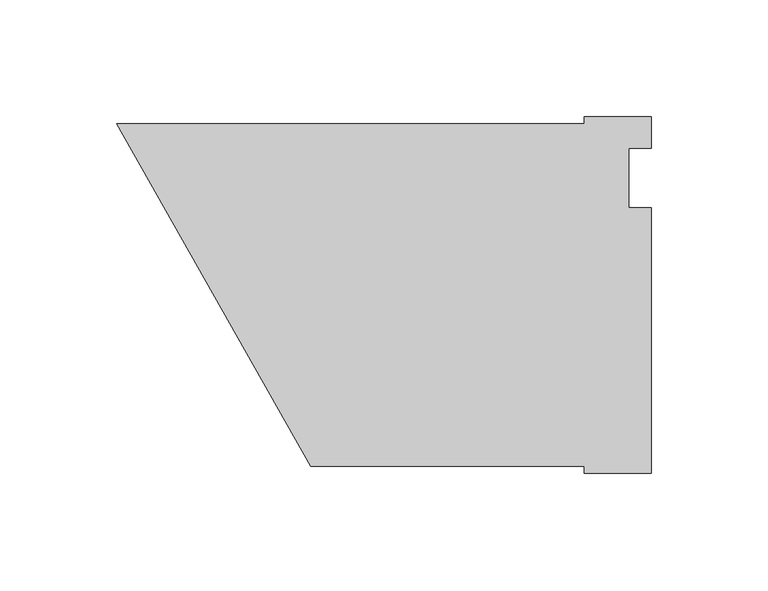
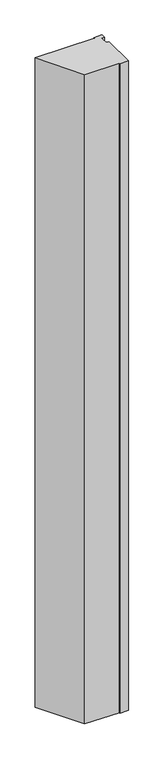
"""IFC4 building model written with IfcOpenShell, lengths in millimetres: proxy geometry."""

import ifcopenshell
import ifcopenshell.guid

model = None  # the IFC model being written
_history = None  # IfcOwnerHistory: only IFC2X3 demands one
_inside = {}  # id of a spatial element -> (the spatial element, [elements in it])
_under = {}  # id of a project, library or spatial element -> (it, [spatial elements below it])
_declared = {}  # id of a project -> (the project, [libraries it declares])
_typed = {}  # id of a type object -> (the type object, [elements of that type])
_made_of = {}  # id of a material, layer set ... -> (it, [elements and type objects made of it])


def new_model(schema):
    """Start an empty IFC model of exactly this schema.

    Asked for "IFC4X3", IfcOpenShell would pick the latest addendum, in which some entities
    have other attributes; the version numbers below select the first issue.
    IFC2X3 requires an IfcOwnerHistory on every rooted entity: one is made here for all.
    """
    global model, _history
    if schema == "IFC4X3":
        model = ifcopenshell.file(schema_version=(4, 3, 0, 0))
    else:
        model = ifcopenshell.file(schema=schema)
    _inside.clear()
    _under.clear()
    _declared.clear()
    _typed.clear()
    _made_of.clear()
    _history = None
    if model.schema == "IFC2X3":
        org = make("IfcOrganization", Name="unknown")
        user = make(
            "IfcPersonAndOrganization",
            ThePerson=make("IfcPerson", FamilyName="unknown"),
            TheOrganization=org,
        )
        app = make(
            "IfcApplication",
            ApplicationDeveloper=org,
            Version="unknown",
            ApplicationFullName="unknown",
            ApplicationIdentifier="unknown",
        )
        _history = make(
            "IfcOwnerHistory",
            OwningUser=user,
            OwningApplication=app,
            ChangeAction="ADDED",
            CreationDate=0,
        )
    return model


def make(cls, **values):
    """One entity of the class cls with the attributes given. An attribute that is None is left unset."""
    return model.create_entity(
        cls, **{name: value for name, value in values.items() if value is not None}
    )


def rooted(cls, **values):
    """An entity with a GlobalId (a new one), such as an element, a storey or a relation."""
    return make(cls, GlobalId=ifcopenshell.guid.new(), OwnerHistory=_history, **values)


def si_unit(unit_type, name, prefix=None):
    """IfcSIUnit, for example si_unit("LENGTHUNIT", "METRE", prefix="MILLI")."""
    return make("IfcSIUnit", UnitType=unit_type, Prefix=prefix, Name=name)


def assignment(units):
    """IfcUnitAssignment: the units of a project."""
    return None if units is None else make("IfcUnitAssignment", Units=units)


def point(xyz):
    """IfcCartesianPoint."""
    return None if xyz is None else make("IfcCartesianPoint", Coordinates=xyz)


def direction(xyz):
    """IfcDirection."""
    return None if xyz is None else make("IfcDirection", DirectionRatios=xyz)


def frame(location, z_axis=None, x_axis=None):
    """IfcAxis2Placement3D, a coordinate frame: its origin and axes. An axis left out is left unset."""
    return make(
        "IfcAxis2Placement3D",
        Location=point(location),
        Axis=direction(z_axis),
        RefDirection=direction(x_axis),
    )


def origin():
    """The frame at (0, 0, 0) with its axes left unset."""
    return frame((0.0, 0.0, 0.0))


def place(relative_to, where):
    """IfcLocalPlacement: puts the frame where relative to a parent placement (None: the world)."""
    return make(
        "IfcLocalPlacement", PlacementRelTo=relative_to, RelativePlacement=where
    )


def context(
    kind, dimensions, precision=None, world=None, true_north=None, identifier=None
):
    """IfcGeometricRepresentationContext, for example the 3D "Model" context."""
    return make(
        "IfcGeometricRepresentationContext",
        ContextIdentifier=identifier,
        ContextType=kind,
        CoordinateSpaceDimension=dimensions,
        Precision=precision,
        WorldCoordinateSystem=world,
        TrueNorth=true_north,
    )


def project(units=None, contexts=None):
    """IfcProject with its units and contexts."""
    return rooted(
        "IfcProject",
        Name="project",
        RepresentationContexts=contexts,
        UnitsInContext=assignment(units),
    )


def spatial(cls, under=None, at=None, **own):
    """A site, building, storey or space (cls), placed at a placement, below another one or the project."""
    s = rooted(cls, ObjectPlacement=at, **own)
    if under is not None:
        _under.setdefault(under.id(), (under, []))[1].append(s)
    return s


def polyline(points):
    """IfcPolyline through the points."""
    return make("IfcPolyline", Points=[point(p) for p in points])


def outline(outer, holes=None, kind="AREA"):
    """IfcArbitraryClosedProfileDef: a profile drawn as a closed curve; with holes, ...WithVoids."""
    if holes is None:
        return make("IfcArbitraryClosedProfileDef", ProfileType=kind, OuterCurve=outer)
    return make(
        "IfcArbitraryProfileDefWithVoids",
        ProfileType=kind,
        OuterCurve=outer,
        InnerCurves=holes,
    )


def extrude(swept, where, along, depth):
    """IfcExtrudedAreaSolid: the profile swept, set in the frame where, extruded along a direction by depth."""
    return make(
        "IfcExtrudedAreaSolid",
        SweptArea=swept,
        Position=where,
        ExtrudedDirection=direction(along),
        Depth=depth,
    )


def shape(context_of_items, identifier, shape_type, items):
    """IfcShapeRepresentation: the items that make up one representation, for example the "Body"."""
    return make(
        "IfcShapeRepresentation",
        ContextOfItems=context_of_items,
        RepresentationIdentifier=identifier,
        RepresentationType=shape_type,
        Items=items,
    )


def source(mapping_origin, context_of_items, identifier, shape_type, items):
    """IfcRepresentationMap: a shape defined once, which mapped items show again and again."""
    return make(
        "IfcRepresentationMap",
        MappingOrigin=mapping_origin,
        MappedRepresentation=shape(context_of_items, identifier, shape_type, items),
    )


def transform(
    local_origin,
    x_axis=None,
    y_axis=None,
    z_axis=None,
    scale=None,
    scale2=None,
    scale3=None,
    uniform=True,
):
    """IfcCartesianTransformationOperator3D, or its non-uniform kind. x_axis, y_axis, z_axis: its Axis1, 2, 3."""
    if uniform:
        return make(
            "IfcCartesianTransformationOperator3D",
            Axis1=direction(x_axis),
            Axis2=direction(y_axis),
            LocalOrigin=point(local_origin),
            Scale=scale,
            Axis3=direction(z_axis),
        )
    return make(
        "IfcCartesianTransformationOperator3DnonUniform",
        Axis1=direction(x_axis),
        Axis2=direction(y_axis),
        LocalOrigin=point(local_origin),
        Scale=scale,
        Axis3=direction(z_axis),
        Scale2=scale2,
        Scale3=scale3,
    )


def mapped(mapping_source, mapping_target):
    """IfcMappedItem: shows the shape of a source again, moved by a transform."""
    return make(
        "IfcMappedItem", MappingSource=mapping_source, MappingTarget=mapping_target
    )


def made_of(thing, what):
    """Note that an element or type object is made of a material, layer set ...; save() writes the relation."""
    if what is not None:
        _made_of.setdefault(what.id(), (what, []))[1].append(thing)
    return thing


def element(
    cls,
    number,
    at=None,
    inside=None,
    cuts=None,
    type_object=None,
    material=None,
    context=None,
    identifier="Body",
    shape_type=None,
    held_by="IfcProductDefinitionShape",
    body=None,
    shapes=None,
    **own,
):
    """One element of the class cls, such as IfcWall. Its Tag is "e" and its number.

    at: its placement. inside: the storey or other place that contains it. cuts: it is an
    opening in that element (IfcRelVoidsElement). A single representation is given by context,
    identifier, shape_type and body (its items); several are given by shapes. held_by: the class
    of the entity that holds the representations. save() writes the other relations.
    """
    e = rooted(cls, Tag="e%d" % number, ObjectPlacement=at, **own)
    if body is not None:
        shapes = [shape(context, identifier, shape_type, body)]
    if shapes is not None:
        e.Representation = make(held_by, Representations=shapes)
    if inside is not None:
        _inside.setdefault(inside.id(), (inside, []))[1].append(e)
    if cuts is not None:
        rooted(
            "IfcRelVoidsElement", RelatingBuildingElement=cuts, RelatedOpeningElement=e
        )
    if type_object is not None:
        _typed.setdefault(type_object.id(), (type_object, []))[1].append(e)
    return made_of(e, material)


def aggregate(whole, parts):
    """IfcRelAggregates: a whole, such as a stair, and the parts it consists of."""
    return rooted("IfcRelAggregates", RelatingObject=whole, RelatedObjects=parts)


def save(model, path):
    """Write the relations noted so far, then the file.

    IfcRelAggregates (storeys below a building ...), IfcRelContainedInSpatialStructure (elements
    in a storey), IfcRelDefinesByType, IfcRelAssociatesMaterial and IfcRelDeclares: one each for
    every whole, place, type object, material and project.
    """
    for whole, parts in _under.values():
        aggregate(whole, parts)
    for where, things in _inside.values():
        rooted(
            "IfcRelContainedInSpatialStructure",
            RelatedElements=things,
            RelatingStructure=where,
        )
    for kind, things in _typed.values():
        rooted("IfcRelDefinesByType", RelatedObjects=things, RelatingType=kind)
    for what, things in _made_of.values():
        rooted("IfcRelAssociatesMaterial", RelatedObjects=things, RelatingMaterial=what)
    for by, libraries in _declared.values():
        rooted("IfcRelDeclares", RelatingContext=by, RelatedDefinitions=libraries)
    model.write(path)


def specialty_equipment_823bf159(model_context):
    return source(origin(), model_context, "Body", "SweptSolid", [
        extrude(outline(polyline([(228.6, 26.19375), (228.6, 12.7), (219.075, 12.7), (219.075, -12.7), (228.6, -12.7), (228.6, -126.20625), (200.0711005, -126.20625), (200.0711005, -123.34875), (82.99038, -123.34875), (0.0, 23.33625), (199.9581978, 23.33625), (199.9581978, 26.19375), (228.6, 26.19375)])), frame((0.0, 0.0, 50.8), z_axis=(0.0, 0.0, 1.0), x_axis=(1.0, 0.0, 0.0)), (0.0, 0.0, 1.0), 2324.1),
    ])


if __name__ == "__main__":
    model = new_model("IFC4")
    model_context = context("Model", 3, world=origin())
    ifc_project = project(units=[si_unit("LENGTHUNIT", "METRE", prefix="MILLI")], contexts=[model_context])
    site = spatial("IfcSite", under=ifc_project)
    building = spatial("IfcBuilding", under=site)
    placement = place(None, origin())
    specialty_equipment_shape = specialty_equipment_823bf159(model_context)
    element("IfcBuildingElementProxy", 1, Name="Specialty Equipment", at=placement, inside=building, context=model_context, shape_type="MappedRepresentation", body=[
        mapped(specialty_equipment_shape, transform((0.0, 0.0, 0.0), x_axis=(1.0, 0.0, 0.0), y_axis=(0.0, 1.0, 0.0), z_axis=(0.0, 0.0, 1.0))),
    ])
    save(model, "model.ifc")
